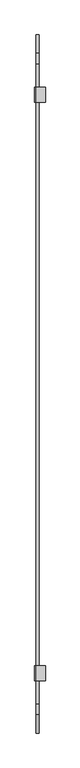
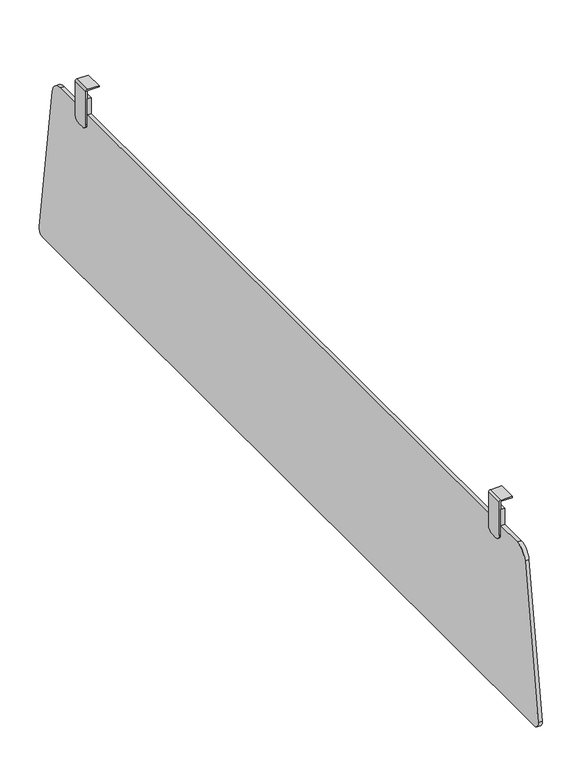
"""IFC4 building model written with IfcOpenShell, lengths in millimetres: furniture geometry."""

import ifcopenshell
import ifcopenshell.guid

model = None  # the IFC model being written
_history = None  # IfcOwnerHistory: only IFC2X3 demands one
_inside = {}  # id of a spatial element -> (the spatial element, [elements in it])
_under = {}  # id of a project, library or spatial element -> (it, [spatial elements below it])
_declared = {}  # id of a project -> (the project, [libraries it declares])
_typed = {}  # id of a type object -> (the type object, [elements of that type])
_made_of = {}  # id of a material, layer set ... -> (it, [elements and type objects made of it])


def new_model(schema):
    """Start an empty IFC model of exactly this schema.

    Asked for "IFC4X3", IfcOpenShell would pick the latest addendum, in which some entities
    have other attributes; the version numbers below select the first issue.
    IFC2X3 requires an IfcOwnerHistory on every rooted entity: one is made here for all.
    """
    global model, _history
    if schema == "IFC4X3":
        model = ifcopenshell.file(schema_version=(4, 3, 0, 0))
    else:
        model = ifcopenshell.file(schema=schema)
    _inside.clear()
    _under.clear()
    _declared.clear()
    _typed.clear()
    _made_of.clear()
    _history = None
    if model.schema == "IFC2X3":
        org = make("IfcOrganization", Name="unknown")
        user = make(
            "IfcPersonAndOrganization",
            ThePerson=make("IfcPerson", FamilyName="unknown"),
            TheOrganization=org,
        )
        app = make(
            "IfcApplication",
            ApplicationDeveloper=org,
            Version="unknown",
            ApplicationFullName="unknown",
            ApplicationIdentifier="unknown",
        )
        _history = make(
            "IfcOwnerHistory",
            OwningUser=user,
            OwningApplication=app,
            ChangeAction="ADDED",
            CreationDate=0,
        )
    return model


def make(cls, **values):
    """One entity of the class cls with the attributes given. An attribute that is None is left unset."""
    return model.create_entity(
        cls, **{name: value for name, value in values.items() if value is not None}
    )


def rooted(cls, **values):
    """An entity with a GlobalId (a new one), such as an element, a storey or a relation."""
    return make(cls, GlobalId=ifcopenshell.guid.new(), OwnerHistory=_history, **values)


def si_unit(unit_type, name, prefix=None):
    """IfcSIUnit, for example si_unit("LENGTHUNIT", "METRE", prefix="MILLI")."""
    return make("IfcSIUnit", UnitType=unit_type, Prefix=prefix, Name=name)


def assignment(units):
    """IfcUnitAssignment: the units of a project."""
    return None if units is None else make("IfcUnitAssignment", Units=units)


def point(xyz):
    """IfcCartesianPoint."""
    return None if xyz is None else make("IfcCartesianPoint", Coordinates=xyz)


def direction(xyz):
    """IfcDirection."""
    return None if xyz is None else make("IfcDirection", DirectionRatios=xyz)


def frame(location, z_axis=None, x_axis=None):
    """IfcAxis2Placement3D, a coordinate frame: its origin and axes. An axis left out is left unset."""
    return make(
        "IfcAxis2Placement3D",
        Location=point(location),
        Axis=direction(z_axis),
        RefDirection=direction(x_axis),
    )


def frame_2d(location, x_axis=None):
    """IfcAxis2Placement2D, a coordinate frame in the plane: its origin and x axis."""
    return make(
        "IfcAxis2Placement2D", Location=point(location), RefDirection=direction(x_axis)
    )


def origin():
    """The frame at (0, 0, 0) with its axes left unset."""
    return frame((0.0, 0.0, 0.0))


def place(relative_to, where):
    """IfcLocalPlacement: puts the frame where relative to a parent placement (None: the world)."""
    return make(
        "IfcLocalPlacement", PlacementRelTo=relative_to, RelativePlacement=where
    )


def context(
    kind, dimensions, precision=None, world=None, true_north=None, identifier=None
):
    """IfcGeometricRepresentationContext, for example the 3D "Model" context."""
    return make(
        "IfcGeometricRepresentationContext",
        ContextIdentifier=identifier,
        ContextType=kind,
        CoordinateSpaceDimension=dimensions,
        Precision=precision,
        WorldCoordinateSystem=world,
        TrueNorth=true_north,
    )


def project(units=None, contexts=None):
    """IfcProject with its units and contexts."""
    return rooted(
        "IfcProject",
        Name="project",
        RepresentationContexts=contexts,
        UnitsInContext=assignment(units),
    )


def spatial(cls, under=None, at=None, **own):
    """A site, building, storey or space (cls), placed at a placement, below another one or the project."""
    s = rooted(cls, ObjectPlacement=at, **own)
    if under is not None:
        _under.setdefault(under.id(), (under, []))[1].append(s)
    return s


def polyline(points):
    """IfcPolyline through the points."""
    return make("IfcPolyline", Points=[point(p) for p in points])


def circle_curve(where, radius):
    """IfcCircle in the frame where."""
    return make("IfcCircle", Position=where, Radius=radius)


def trimmed(basis, trim1, trim2, sense, master):
    """IfcTrimmedCurve: the piece of a basis curve between two trims."""
    return make(
        "IfcTrimmedCurve",
        BasisCurve=basis,
        Trim1=trim1,
        Trim2=trim2,
        SenseAgreement=sense,
        MasterRepresentation=master,
    )


def segment(curve, same_sense, transition):
    """IfcCompositeCurveSegment."""
    return make(
        "IfcCompositeCurveSegment",
        Transition=transition,
        SameSense=same_sense,
        ParentCurve=curve,
    )


def composite_curve(segments, self_intersect=None):
    """IfcCompositeCurve: segments joined end to end."""
    return make("IfcCompositeCurve", Segments=segments, SelfIntersect=self_intersect)


def outline(outer, holes=None, kind="AREA"):
    """IfcArbitraryClosedProfileDef: a profile drawn as a closed curve; with holes, ...WithVoids."""
    if holes is None:
        return make("IfcArbitraryClosedProfileDef", ProfileType=kind, OuterCurve=outer)
    return make(
        "IfcArbitraryProfileDefWithVoids",
        ProfileType=kind,
        OuterCurve=outer,
        InnerCurves=holes,
    )


def extrude(swept, where, along, depth):
    """IfcExtrudedAreaSolid: the profile swept, set in the frame where, extruded along a direction by depth."""
    return make(
        "IfcExtrudedAreaSolid",
        SweptArea=swept,
        Position=where,
        ExtrudedDirection=direction(along),
        Depth=depth,
    )


def shape(context_of_items, identifier, shape_type, items):
    """IfcShapeRepresentation: the items that make up one representation, for example the "Body"."""
    return make(
        "IfcShapeRepresentation",
        ContextOfItems=context_of_items,
        RepresentationIdentifier=identifier,
        RepresentationType=shape_type,
        Items=items,
    )


def source(mapping_origin, context_of_items, identifier, shape_type, items):
    """IfcRepresentationMap: a shape defined once, which mapped items show again and again."""
    return make(
        "IfcRepresentationMap",
        MappingOrigin=mapping_origin,
        MappedRepresentation=shape(context_of_items, identifier, shape_type, items),
    )


def transform(
    local_origin,
    x_axis=None,
    y_axis=None,
    z_axis=None,
    scale=None,
    scale2=None,
    scale3=None,
    uniform=True,
):
    """IfcCartesianTransformationOperator3D, or its non-uniform kind. x_axis, y_axis, z_axis: its Axis1, 2, 3."""
    if uniform:
        return make(
            "IfcCartesianTransformationOperator3D",
            Axis1=direction(x_axis),
            Axis2=direction(y_axis),
            LocalOrigin=point(local_origin),
            Scale=scale,
            Axis3=direction(z_axis),
        )
    return make(
        "IfcCartesianTransformationOperator3DnonUniform",
        Axis1=direction(x_axis),
        Axis2=direction(y_axis),
        LocalOrigin=point(local_origin),
        Scale=scale,
        Axis3=direction(z_axis),
        Scale2=scale2,
        Scale3=scale3,
    )


def mapped(mapping_source, mapping_target):
    """IfcMappedItem: shows the shape of a source again, moved by a transform."""
    return make(
        "IfcMappedItem", MappingSource=mapping_source, MappingTarget=mapping_target
    )


def made_of(thing, what):
    """Note that an element or type object is made of a material, layer set ...; save() writes the relation."""
    if what is not None:
        _made_of.setdefault(what.id(), (what, []))[1].append(thing)
    return thing


def element(
    cls,
    number,
    at=None,
    inside=None,
    cuts=None,
    type_object=None,
    material=None,
    context=None,
    identifier="Body",
    shape_type=None,
    held_by="IfcProductDefinitionShape",
    body=None,
    shapes=None,
    **own,
):
    """One element of the class cls, such as IfcWall. Its Tag is "e" and its number.

    at: its placement. inside: the storey or other place that contains it. cuts: it is an
    opening in that element (IfcRelVoidsElement). A single representation is given by context,
    identifier, shape_type and body (its items); several are given by shapes. held_by: the class
    of the entity that holds the representations. save() writes the other relations.
    """
    e = rooted(cls, Tag="e%d" % number, ObjectPlacement=at, **own)
    if body is not None:
        shapes = [shape(context, identifier, shape_type, body)]
    if shapes is not None:
        e.Representation = make(held_by, Representations=shapes)
    if inside is not None:
        _inside.setdefault(inside.id(), (inside, []))[1].append(e)
    if cuts is not None:
        rooted(
            "IfcRelVoidsElement", RelatingBuildingElement=cuts, RelatedOpeningElement=e
        )
    if type_object is not None:
        _typed.setdefault(type_object.id(), (type_object, []))[1].append(e)
    return made_of(e, material)


def aggregate(whole, parts):
    """IfcRelAggregates: a whole, such as a stair, and the parts it consists of."""
    return rooted("IfcRelAggregates", RelatingObject=whole, RelatedObjects=parts)


def save(model, path):
    """Write the relations noted so far, then the file.

    IfcRelAggregates (storeys below a building ...), IfcRelContainedInSpatialStructure (elements
    in a storey), IfcRelDefinesByType, IfcRelAssociatesMaterial and IfcRelDeclares: one each for
    every whole, place, type object, material and project.
    """
    for whole, parts in _under.values():
        aggregate(whole, parts)
    for where, things in _inside.values():
        rooted(
            "IfcRelContainedInSpatialStructure",
            RelatedElements=things,
            RelatingStructure=where,
        )
    for kind, things in _typed.values():
        rooted("IfcRelDefinesByType", RelatedObjects=things, RelatingType=kind)
    for what, things in _made_of.values():
        rooted("IfcRelAssociatesMaterial", RelatedObjects=things, RelatingMaterial=what)
    for by, libraries in _declared.values():
        rooted("IfcRelDeclares", RelatingContext=by, RelatedDefinitions=libraries)
    model.write(path)


def plane_surface(at):
    """IfcPlane: the flat surface through the origin of the frame at, square to its z axis."""
    return make("IfcPlane", Position=at)


def cylinder_surface(at, radius):
    """IfcCylindricalSurface: all points at the distance radius from the z axis of the frame at."""
    return make("IfcCylindricalSurface", Position=at, Radius=radius)


def advanced_brep(points, edges, surfaces, faces):
    """IfcAdvancedBrep: a solid bounded by faces that lie on surfaces and meet in shared edges.

    An edge is (start, end): straight between two places in points (the first is 0);
    or (start, end, curve); or (start, end, curve, False) where it runs against its curve.
    A face is (place in surfaces, loops), or (place, loops, False) where it looks against
    its surface's normal. A loop lists edges by number (the first is 1), with a minus sign
    where the edge is run from its end to its start. The first loop is the outer one.
    """
    corners = [point(p) for p in points]
    vertices = [make("IfcVertexPoint", VertexGeometry=c) for c in corners]
    made = []
    for start, end, *more in edges:
        made.append(
            make(
                "IfcEdgeCurve",
                EdgeStart=vertices[start],
                EdgeEnd=vertices[end],
                EdgeGeometry=more[0] if more else make("IfcPolyline", Points=[corners[start], corners[end]]),
                SameSense=more[1] if len(more) > 1 else True,
            )
        )
    hull = []
    for where, loops, *sense in faces:
        bounds = []
        for j, loop in enumerate(loops):
            ring = [make("IfcOrientedEdge", EdgeElement=made[abs(k) - 1], Orientation=k > 0) for k in loop]
            bounds.append(
                make(
                    "IfcFaceOuterBound" if j == 0 else "IfcFaceBound",
                    Bound=make("IfcEdgeLoop", EdgeList=ring),
                    Orientation=True,
                )
            )
        hull.append(make("IfcAdvancedFace", Bounds=bounds, FaceSurface=surfaces[where], SameSense=sense[0] if sense else True))
    return make("IfcAdvancedBrep", Outer=make("IfcClosedShell", CfsFaces=hull))


def furniture_82485f3d(model_context):
    return source(origin(), model_context, "Body", "SolidModel", [
        extrude(outline(composite_curve([segment(polyline([(-578.5487318, 619.1281975), (-535.0064946, 619.1281975), (-535.0064946, 644.9634665), (-507.0064959, 644.9634665), (-507.0064959, 619.1281975), (557.0064959, 619.1281975), (557.0064959, 644.9634665), (585.0064946, 644.9634665), (585.0064946, 619.1281975), (628.5487318, 619.1281975)]), True, "CONTINUOUS"), segment(trimmed(circle_curve(frame_2d((628.5487318, 598.1281975)), 21.0), [point((628.5487318, 619.1281975))], [point((649.332973, 601.1307491))], False, "CARTESIAN"), True, "CONTINUOUS"), segment(polyline([(649.332973, 601.1307491), (683.966148, 361.3932362)]), True, "CONTINUOUS"), segment(trimmed(circle_curve(frame_2d((674.0688902, 359.9634497)), 10.0), [point((683.966148, 361.3932362))], [point((674.0688902, 349.9634497))], False, "CARTESIAN"), True, "CONTINUOUS"), segment(polyline([(674.0688902, 349.9634497), (-624.0688902, 349.9634497)]), True, "CONTINUOUS"), segment(trimmed(circle_curve(frame_2d((-624.0688902, 359.9634497)), 10.0), [point((-624.0688902, 349.9634497))], [point((-633.966148, 361.3932362))], False, "CARTESIAN"), True, "CONTINUOUS"), segment(polyline([(-633.966148, 361.3932362), (-599.332973, 601.1307491)]), True, "CONTINUOUS"), segment(trimmed(circle_curve(frame_2d((-578.5487318, 598.1281975)), 21.0), [point((-599.332973, 601.1307491))], [point((-578.5487318, 619.1281975))], False, "CARTESIAN"), True, "CONTINUOUS")], self_intersect=False)), frame((38.1046811, 0.0, 0.0), z_axis=(1.0, 0.0, 0.0), x_axis=(0.0, 1.0, 0.0)), (0.0, 0.0, 1.0), 5.9999994),
        advanced_brep(
        [(56.0070245, -535.0064946, 659.963423), (38.8193651, -535.0064946, 659.963423), (36.0070257, -535.0064946, 657.1510836), (36.0070257, -535.0064946, 603.953015), (38.1046811, -535.0064946, 603.953015), (38.1046811, -535.0064946, 657.9634724), (56.0070245, -535.0064946, 657.9634724), (56.0070245, -507.0064959, 659.963423), (56.0070245, -507.0064959, 657.9634724), (38.1046811, -507.0064959, 657.9634724), (38.1046811, -507.0064959, 603.7388224), (36.0070257, -507.0064959, 603.7388224), (36.0070257, -507.0064959, 657.1510836), (38.8193651, -507.0064959, 659.963423), (36.0070257, -515.7818885, 594.9634297), (36.0070257, -526.0169094, 594.9634297), (38.1046811, -526.0169094, 594.9634297), (38.1046811, -515.7818885, 594.9634297)],
        [
            (0, 1),
            (1, 2, circle_curve(frame((38.8193651, -535.0064946, 657.1510836), z_axis=(0.0, -1.0, 0.0), x_axis=(1.0, 0.0, 0.0)), 2.8123394)),
            (2, 3),
            (3, 4),
            (4, 5),
            (5, 6),
            (6, 0),
            (7, 8),
            (8, 9),
            (9, 10),
            (10, 11),
            (11, 12),
            (12, 13, circle_curve(frame((38.8193651, -507.0064959, 657.1510836), z_axis=(0.0, 1.0, 0.0), x_axis=(1.0, 0.0, 0.0)), 2.8123394)),
            (13, 7),
            (0, 7),
            (13, 1),
            (12, 2),
            (11, 14, circle_curve(frame((36.0070257, -515.7818885, 603.7388224), z_axis=(-1.0, 0.0, 0.0), x_axis=(0.0, 1.0, 0.0)), 8.7753927)),
            (14, 15),
            (15, 3, circle_curve(frame((36.0070257, -526.0169094, 603.953015), z_axis=(-1.0, 0.0, 0.0), x_axis=(0.0, 1.0, 0.0)), 8.9895852)),
            (4, 16, circle_curve(frame((38.1046811, -526.0169094, 603.953015), z_axis=(1.0, 0.0, 0.0), x_axis=(0.0, 1.0, 0.0)), 8.9895852)),
            (16, 17),
            (17, 10, circle_curve(frame((38.1046811, -515.7818885, 603.7388224), z_axis=(1.0, 0.0, 0.0), x_axis=(0.0, 1.0, 0.0)), 8.7753927)),
            (9, 5),
            (8, 6),
            (15, 16),
            (14, 17),
        ],
        [
            plane_surface(frame((56.0070245, -535.0064946, 657.9634724), z_axis=(0.0, -1.0, 0.0), x_axis=(0.0, 0.0, -1.0))),
            plane_surface(frame((56.0070245, -507.0064959, 657.9634724), z_axis=(0.0, 1.0, 0.0), x_axis=(0.0, 0.0, 1.0))),
            plane_surface(frame((38.8193651, -535.0064946, 659.963423), z_axis=(0.0, 0.0, 1.0), x_axis=(0.0, 1.0, 0.0))),
            cylinder_surface(frame((38.8193651, -507.0064959, 657.1510836), z_axis=(0.0, -1.0, 0.0), x_axis=(1.0, 0.0, 0.0)), 2.8123394),
            plane_surface(frame((36.0070257, -535.0064946, 605.9634487), z_axis=(-1.0, 0.0, 0.0), x_axis=(0.0, 1.0, 0.0))),
            plane_surface(frame((38.1046811, -535.0064946, 657.9634724), z_axis=(1.0, 0.0, 0.0), x_axis=(0.0, 1.0, 0.0))),
            plane_surface(frame((56.0070245, -535.0064946, 657.9634724), z_axis=(0.0, 0.0, -1.0), x_axis=(0.0, 1.0, 0.0))),
            plane_surface(frame((56.0070245, -535.0064946, 659.963423), z_axis=(1.0, 0.0, 0.0), x_axis=(0.0, 1.0, 0.0))),
            cylinder_surface(frame((36.0070257, -526.0169094, 603.953015), z_axis=(1.0, 0.0, 0.0), x_axis=(0.0, 1.0, 0.0)), 8.9895852),
            plane_surface(frame((38.1046811, -515.7818885, 594.9634297), z_axis=(0.0, 0.0, -1.0), x_axis=(-1.0, 0.0, 0.0))),
            cylinder_surface(frame((36.0070257, -515.7818885, 603.7388224), z_axis=(1.0, 0.0, 0.0), x_axis=(0.0, 1.0, 0.0)), 8.7753927),
        ],
        [
            (0, [[1, 2, 3, 4, 5, 6, 7]]),
            (1, [[8, 9, 10, 11, 12, 13, 14]]),
            (2, [[15, -14, 16, -1]]),
            (3, [[-16, -13, 17, -2]]),
            (4, [[-17, -12, 18, 19, 20, -3]]),
            (5, [[21, 22, 23, -10, 24, -5]]),
            (6, [[-24, -9, 25, -6]]),
            (7, [[-25, -8, -15, -7]]),
            (8, [[-4, -20, 26, -21]]),
            (9, [[-26, -19, 27, -22]]),
            (10, [[-27, -18, -11, -23]]),
        ],
    ),
        advanced_brep(
        [(56.0070245, 585.0064946, 659.963423), (56.0070245, 585.0064946, 657.9634724), (38.1046811, 585.0064946, 657.9634724), (38.1046811, 585.0064946, 603.953015), (36.0070257, 585.0064946, 603.953015), (36.0070257, 585.0064946, 657.1510836), (38.8193651, 585.0064946, 659.963423), (56.0070245, 557.0064959, 659.963423), (38.8193651, 557.0064959, 659.963423), (36.0070257, 557.0064959, 657.1510836), (36.0070257, 557.0064959, 603.7388224), (38.1046811, 557.0064959, 603.7388224), (38.1046811, 557.0064959, 657.9634724), (56.0070245, 557.0064959, 657.9634724), (36.0070257, 576.0169094, 594.9634297), (36.0070257, 565.7818885, 594.9634297), (38.1046811, 565.7818885, 594.9634297), (38.1046811, 576.0169094, 594.9634297)],
        [
            (0, 1),
            (1, 2),
            (2, 3),
            (3, 4),
            (4, 5),
            (5, 6, circle_curve(frame((38.8193651, 585.0064946, 657.1510836), z_axis=(0.0, 1.0, 0.0), x_axis=(1.0, 0.0, 0.0)), 2.8123394)),
            (6, 0),
            (7, 8),
            (8, 9, circle_curve(frame((38.8193651, 557.0064959, 657.1510836), z_axis=(0.0, -1.0, 0.0), x_axis=(1.0, 0.0, 0.0)), 2.8123394)),
            (9, 10),
            (10, 11),
            (11, 12),
            (12, 13),
            (13, 7),
            (6, 8),
            (7, 0),
            (5, 9),
            (4, 14, circle_curve(frame((36.0070257, 576.0169094, 603.953015), z_axis=(-1.0, 0.0, 0.0), x_axis=(0.0, -1.0, 0.0)), 8.9895852)),
            (14, 15),
            (15, 10, circle_curve(frame((36.0070257, 565.7818885, 603.7388224), z_axis=(-1.0, 0.0, 0.0), x_axis=(0.0, -1.0, 0.0)), 8.7753927)),
            (2, 12),
            (11, 16, circle_curve(frame((38.1046811, 565.7818885, 603.7388224), z_axis=(1.0, 0.0, 0.0), x_axis=(0.0, -1.0, 0.0)), 8.7753927)),
            (16, 17),
            (17, 3, circle_curve(frame((38.1046811, 576.0169094, 603.953015), z_axis=(1.0, 0.0, 0.0), x_axis=(0.0, -1.0, 0.0)), 8.9895852)),
            (1, 13),
            (17, 14),
            (16, 15),
        ],
        [
            plane_surface(frame((56.0070245, 585.0064946, 659.963423), z_axis=(0.0, 1.0, 0.0), x_axis=(-1.0, 0.0, 0.0))),
            plane_surface(frame((56.0070245, 557.0064959, 659.963423), z_axis=(0.0, -1.0, 0.0), x_axis=(1.0, 0.0, 0.0))),
            plane_surface(frame((56.0070245, 585.0064946, 659.963423), z_axis=(0.0, 0.0, 1.0), x_axis=(0.0, -1.0, 0.0))),
            cylinder_surface(frame((38.8193651, 557.0064959, 657.1510836), z_axis=(0.0, 1.0, 0.0), x_axis=(1.0, 0.0, 0.0)), 2.8123394),
            plane_surface(frame((36.0070257, 585.0064946, 657.1510836), z_axis=(-1.0, 0.0, 0.0), x_axis=(0.0, -1.0, 0.0))),
            plane_surface(frame((38.1046811, 585.0064946, 605.9634487), z_axis=(1.0, 0.0, 0.0), x_axis=(0.0, -1.0, 0.0))),
            plane_surface(frame((38.1046811, 585.0064946, 657.9634724), z_axis=(0.0, 0.0, -1.0), x_axis=(0.0, -1.0, 0.0))),
            plane_surface(frame((56.0070245, 585.0064946, 657.9634724), z_axis=(1.0, 0.0, 0.0), x_axis=(0.0, -1.0, 0.0))),
            cylinder_surface(frame((36.0070257, 576.0169094, 603.953015), z_axis=(1.0, 0.0, 0.0), x_axis=(0.0, -1.0, 0.0)), 8.9895852),
            plane_surface(frame((38.1046811, 576.0169094, 594.9634297), z_axis=(0.0, 0.0, -1.0), x_axis=(-1.0, 0.0, 0.0))),
            cylinder_surface(frame((36.0070257, 565.7818885, 603.7388224), z_axis=(1.0, 0.0, 0.0), x_axis=(0.0, -1.0, 0.0)), 8.7753927),
        ],
        [
            (0, [[1, 2, 3, 4, 5, 6, 7]]),
            (1, [[8, 9, 10, 11, 12, 13, 14]]),
            (2, [[15, -8, 16, -7]]),
            (3, [[17, -9, -15, -6]]),
            (4, [[18, 19, 20, -10, -17, -5]]),
            (5, [[21, -12, 22, 23, 24, -3]]),
            (6, [[25, -13, -21, -2]]),
            (7, [[-16, -14, -25, -1]]),
            (8, [[26, -18, -4, -24]]),
            (9, [[27, -19, -26, -23]]),
            (10, [[-11, -20, -27, -22]]),
        ],
    ),
    ])


if __name__ == "__main__":
    model = new_model("IFC4")
    model_context = context("Model", 3, world=origin())
    ifc_project = project(units=[si_unit("LENGTHUNIT", "METRE", prefix="MILLI")], contexts=[model_context])
    site = spatial("IfcSite", under=ifc_project)
    building = spatial("IfcBuilding", under=site)
    placement = place(None, origin())
    furniture_shape = furniture_82485f3d(model_context)
    element("IfcFurniture", 1, at=placement, inside=building, context=model_context, shape_type="MappedRepresentation", body=[
        mapped(furniture_shape, transform((0.0, 0.0, 0.0), x_axis=(1.0, 0.0, 0.0), y_axis=(0.0, 1.0, 0.0), z_axis=(0.0, 0.0, 1.0))),
    ])
    save(model, "model.ifc")
